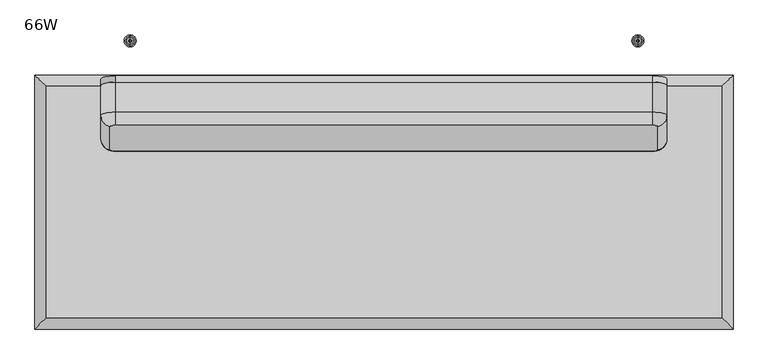
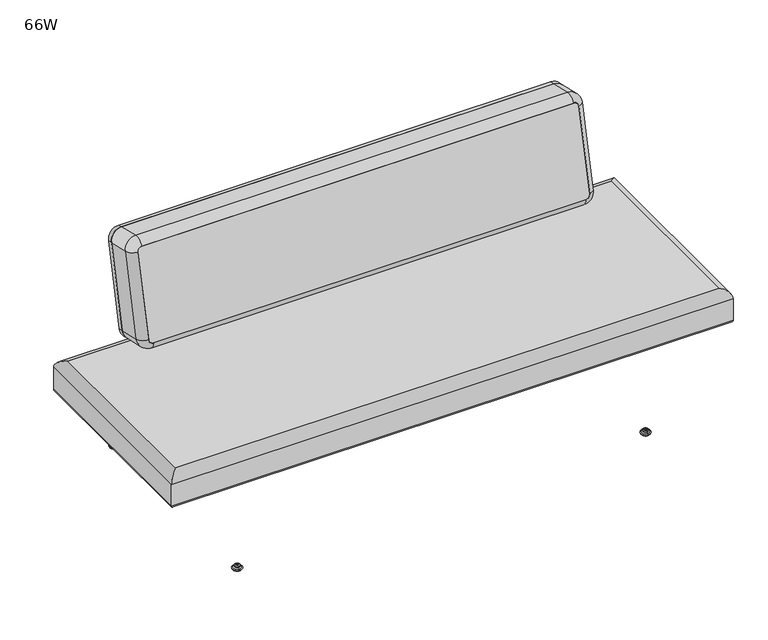
"""IFC4 building model written with IfcOpenShell, lengths in millimetres: furniture geometry, 66W."""

from ifc_helpers import new_model, si_unit, point, frame, frame_2d, origin, place, context, project, spatial, polyline, circle_curve, ellipse_curve, trimmed, segment, composite_curve, outline, extrude, source, transform, mapped, element, save
from ifc_brep_helpers import plane_surface, cylinder_surface, revolved_surface, advanced_brep


def furniture_66w_74420f0e(model_context):
    return source(origin(), model_context, "Body", "SolidModel", [
        extrude(outline(composite_curve([segment(trimmed(circle_curve(frame_2d((0.0, -34.2841348)), 34.2841348), [point((34.2841348, -34.2841348))], [point((0.0, -68.5682696))], False, "CARTESIAN"), True, "CONTINUOUS"), segment(polyline([(0.0, -68.5682696), (-249.5042521, -68.5682696)]), True, "CONTINUOUS"), segment(trimmed(circle_curve(frame_2d((-249.5042521, -34.2841348)), 34.2841348), [point((-249.5042521, -68.5682696))], [point((-283.7883869, -34.2841348))], False, "CARTESIAN"), True, "CONTINUOUS"), segment(polyline([(-283.7883869, -34.2841348), (-283.7883869, 1256.10369)]), True, "CONTINUOUS"), segment(trimmed(circle_curve(frame_2d((-249.5042521, 1256.10369)), 34.2841348), [point((-283.7883869, 1256.10369))], [point((-249.5042521, 1290.3878248))], False, "CARTESIAN"), True, "CONTINUOUS"), segment(polyline([(-249.5042521, 1290.3878248), (0.0, 1290.3878248)]), True, "CONTINUOUS"), segment(trimmed(circle_curve(frame_2d((0.0, 1256.10369)), 34.2841348), [point((0.0, 1290.3878248))], [point((34.2841348, 1256.10369))], False, "CARTESIAN"), True, "CONTINUOUS"), segment(polyline([(34.2841348, 1256.10369), (34.2841348, -34.2841348)]), True, "CONTINUOUS")], self_intersect=False)), frame((1449.0758652, -106.2904287, 729.1964486), z_axis=(0.0, -0.9743700647852357, 0.2249510543438632), x_axis=(0.0, 0.2249510543438632, 0.9743700647852357)), (0.0, 0.0, 1.0), 15.2414002),
        advanced_brep(
        [(27.2635975, -123.7984512, 405.8895176), (27.2635975, -678.8688097, 405.8895176), (1649.1428944, -678.8688097, 405.8895176), (1649.1428944, -123.7984512, 405.8895176), (6.3491764, -699.7832308, 304.2919641), (6.3491764, -102.8840302, 304.2919641), (1670.0573154, -102.8840302, 304.2919641), (1670.0573154, -699.7832308, 304.2919641), (-0.0008236, -96.5340302, 310.6419641), (-0.0008236, -706.1332308, 310.6419641), (-0.0008236, -706.1332308, 379.4503267), (-0.0008236, -96.5340302, 379.4503267), (1676.4073154, -706.1332308, 310.6419641), (1676.4073154, -706.1332308, 379.4503267), (1676.4073154, -96.5340302, 310.6419641), (1676.4073154, -96.5340302, 379.4503267)],
        [
            (0, 1),
            (1, 2),
            (2, 3),
            (3, 0),
            (4, 5),
            (5, 6),
            (6, 7),
            (7, 4),
            (8, 5, ellipse_curve(frame((6.3491764, -102.8840302, 310.6419641), z_axis=(-0.7071067811865481, -0.7071067811865468, 0.0), x_axis=(-0.7071067811865466, 0.7071067811865483, 0.0)), 8.9802561, 6.35)),
            (4, 9, ellipse_curve(frame((6.3491764, -699.7832308, 310.6419641), z_axis=(-0.7071067811865468, 0.7071067811865481, 0.0), x_axis=(0.7071067811865481, 0.7071067811865469, 0.0)), 8.9802561, 6.35)),
            (9, 8),
            (9, 10),
            (10, 11),
            (11, 8),
            (10, 1, ellipse_curve(frame((26.4508562, -679.681551, 379.4503267), z_axis=(-0.7071067811865468, 0.7071067811865481, 0.0), x_axis=(0.7071067811865481, 0.7071067811865469, 0.0)), 37.4083243, 26.4516798)),
            (0, 11, ellipse_curve(frame((26.4508562, -122.98571, 379.4503267), z_axis=(-0.7071067811865481, -0.7071067811865468, 0.0), x_axis=(-0.7071067811865466, 0.7071067811865483, 0.0)), 37.4083243, 26.4516798)),
            (7, 12, ellipse_curve(frame((1670.0573154, -699.7832308, 310.6419641), z_axis=(-0.7071067811865476, -0.7071067811865474, 0.0), x_axis=(-0.7071067811865475, 0.7071067811865475, 0.0)), 8.9802561, 6.35)),
            (12, 9),
            (12, 13),
            (13, 10),
            (13, 2, ellipse_curve(frame((1649.9556356, -679.681551, 379.4503267), z_axis=(-0.7071067811865476, -0.7071067811865474, 0.0), x_axis=(-0.7071067811865475, 0.7071067811865475, 0.0)), 37.4083243, 26.4516798)),
            (6, 14, ellipse_curve(frame((1670.0573154, -102.8840302, 310.6419641), z_axis=(0.7071067811865474, -0.7071067811865476, 0.0), x_axis=(-0.7071067811865475, -0.7071067811865475, 0.0)), 8.9802561, 6.35)),
            (14, 12),
            (14, 15),
            (15, 13),
            (15, 3, ellipse_curve(frame((1649.9556356, -122.98571, 379.4503267), z_axis=(0.7071067811865474, -0.7071067811865476, 0.0), x_axis=(-0.7071067811865475, -0.7071067811865475, 0.0)), 37.4083243, 26.4516798)),
            (8, 14),
            (11, 15),
        ],
        [
            plane_surface(frame((27.2635975, -678.8688097, 405.8895176), z_axis=(0.0, 0.0, 1.0), x_axis=(1.0, 0.0, 0.0))),
            plane_surface(frame((27.2635975, -678.8688097, 304.2919641), z_axis=(0.0, 0.0, -1.0), x_axis=(-1.0, 0.0, 0.0))),
            cylinder_surface(frame((6.3491764, -123.7984512, 310.6419641), z_axis=(0.0, 1.0, 0.0), x_axis=(1.0, 0.0, 0.0)), 6.35),
            plane_surface(frame((-0.0008236, -96.5340302, 310.6419641), z_axis=(-1.0, 0.0, 0.0), x_axis=(0.0, -1.0, 0.0))),
            cylinder_surface(frame((26.4508562, -123.7984512, 379.4503267), z_axis=(0.0, 1.0, 0.0), x_axis=(1.0, 0.0, 0.0)), 26.4516798),
            cylinder_surface(frame((27.2635975, -699.7832308, 310.6419641), z_axis=(-1.0, 0.0, 0.0), x_axis=(0.0, 1.0, 0.0)), 6.35),
            plane_surface(frame((-0.0008236, -706.1332308, 310.6419641), z_axis=(0.0, -1.0, 0.0), x_axis=(1.0, 0.0, 0.0))),
            cylinder_surface(frame((27.2635975, -679.681551, 379.4503267), z_axis=(-1.0, 0.0, 0.0), x_axis=(0.0, 1.0, 0.0)), 26.4516798),
            cylinder_surface(frame((1670.0573154, -678.8688097, 310.6419641), z_axis=(0.0, -1.0, 0.0), x_axis=(-1.0, 0.0, 0.0)), 6.35),
            plane_surface(frame((1676.4073154, -706.1332308, 310.6419641), z_axis=(1.0, 0.0, 0.0), x_axis=(0.0, 1.0, 0.0))),
            cylinder_surface(frame((1649.9556356, -678.8688097, 379.4503267), z_axis=(0.0, -1.0, 0.0), x_axis=(-1.0, 0.0, 0.0)), 26.4516798),
            cylinder_surface(frame((1649.1428944, -102.8840302, 310.6419641), z_axis=(1.0, 0.0, 0.0), x_axis=(0.0, -1.0, 0.0)), 6.35),
            plane_surface(frame((1676.4073154, -96.5340302, 310.6419641), z_axis=(0.0, 1.0, 0.0), x_axis=(-1.0, 0.0, 0.0))),
            cylinder_surface(frame((1649.1428944, -122.98571, 379.4503267), z_axis=(1.0, 0.0, 0.0), x_axis=(0.0, -1.0, 0.0)), 26.4516798),
        ],
        [
            (0, [[1, 2, 3, 4]]),
            (1, [[5, 6, 7, 8]]),
            (2, [[9, -5, 10, 11]]),
            (3, [[-11, 12, 13, 14]]),
            (4, [[-13, 15, -1, 16]]),
            (5, [[-10, -8, 17, 18]]),
            (6, [[-12, -18, 19, 20]]),
            (7, [[-15, -20, 21, -2]]),
            (8, [[-17, -7, 22, 23]]),
            (9, [[-19, -23, 24, 25]]),
            (10, [[-21, -25, 26, -3]]),
            (11, [[-9, 27, -22, -6]]),
            (12, [[-14, 28, -24, -27]]),
            (13, [[-16, -4, -26, -28]]),
        ],
    ),
        advanced_brep(
        [(1447.8, -645.9431587, 14.8752118), (1447.8, -652.5665699, 14.8752118), (1447.8, -649.2548643, 14.8752118), (1447.8, -645.3562211, 13.858606), (1447.8, -653.1535076, 13.858606), (1447.8, -641.3242474, 11.2402116), (1447.8, -657.1854813, 11.2402116), (1447.8, -641.3242474, 8.74896), (1447.8, -657.1854813, 8.74896), (1447.8, -642.9059165, 8.74896), (1447.8, -655.6038121, 8.74896), (1447.8, -638.0462975, 5.9432577), (1447.8, -660.4634312, 5.9432577), (1447.8, -634.8556417, 3.5556814), (1447.8, -663.6540869, 3.5556814), (1447.8, -636.908533, 0.0), (1447.8, -661.6011957, 0.0), (1447.8, -649.2548643, 0.0)],
        [
            (0, 1, circle_curve(frame((1447.8, -649.2548643, 14.8752118), z_axis=(0.0, 0.0, 1.0), x_axis=(0.0, -1.0, 0.0)), 3.3117056)),
            (1, 2),
            (2, 0),
            (1, 0, circle_curve(frame((1447.8, -649.2548643, 14.8752118), z_axis=(0.0, 0.0, 1.0), x_axis=(0.0, -1.0, 0.0)), 3.3117056)),
            (3, 4, circle_curve(frame((1447.8, -649.2548643, 13.858606), z_axis=(0.0, 0.0, 1.0), x_axis=(0.0, -1.0, 0.0)), 3.8986433)),
            (4, 1),
            (0, 3),
            (4, 3, circle_curve(frame((1447.8, -649.2548643, 13.858606), z_axis=(0.0, 0.0, 1.0), x_axis=(0.0, -1.0, 0.0)), 3.8986433)),
            (5, 6, circle_curve(frame((1447.8, -649.2548643, 11.2402116), z_axis=(0.0, 0.0, 1.0), x_axis=(0.0, -1.0, 0.0)), 7.930617)),
            (6, 4),
            (3, 5),
            (6, 5, circle_curve(frame((1447.8, -649.2548643, 11.2402116), z_axis=(0.0, 0.0, 1.0), x_axis=(0.0, -1.0, 0.0)), 7.930617)),
            (7, 8, circle_curve(frame((1447.8, -649.2548643, 8.74896), z_axis=(0.0, 0.0, 1.0), x_axis=(0.0, -1.0, 0.0)), 7.930617)),
            (8, 6),
            (5, 7),
            (8, 7, circle_curve(frame((1447.8, -649.2548643, 8.74896), z_axis=(0.0, 0.0, 1.0), x_axis=(0.0, -1.0, 0.0)), 7.930617)),
            (9, 10, circle_curve(frame((1447.8, -649.2548643, 8.74896), z_axis=(0.0, 0.0, 1.0), x_axis=(0.0, -1.0, 0.0)), 6.3489478)),
            (10, 8),
            (7, 9),
            (10, 9, circle_curve(frame((1447.8, -649.2548643, 8.74896), z_axis=(0.0, 0.0, 1.0), x_axis=(0.0, -1.0, 0.0)), 6.3489478)),
            (11, 12, circle_curve(frame((1447.8, -649.2548643, 5.9432577), z_axis=(0.0, 0.0, 1.0), x_axis=(0.0, -1.0, 0.0)), 11.2085669)),
            (12, 10, circle_curve(frame((1447.8, -660.1160571, 10.9529929), z_axis=(1.0, 0.0, 0.0), x_axis=(0.0, -1.0, 0.0)), 5.0217642)),
            (9, 11, circle_curve(frame((1447.8, -638.3936715, 10.9529929), z_axis=(1.0, 0.0, 0.0), x_axis=(0.0, 1.0, 0.0)), 5.0217642)),
            (12, 11, circle_curve(frame((1447.8, -649.2548643, 5.9432577), z_axis=(0.0, 0.0, 1.0), x_axis=(0.0, -1.0, 0.0)), 11.2085669)),
            (13, 14, circle_curve(frame((1447.8, -649.2548643, 3.5556814), z_axis=(0.0, 0.0, 1.0), x_axis=(0.0, -1.0, 0.0)), 14.3992226)),
            (14, 12, circle_curve(frame((1447.8, -660.6744794, 2.8995769), z_axis=(-1.0, 0.0, 0.0), x_axis=(0.0, -1.0, 0.0)), 3.050989)),
            (11, 13, circle_curve(frame((1447.8, -637.8352492, 2.8995769), z_axis=(-1.0, 0.0, 0.0), x_axis=(0.0, 1.0, 0.0)), 3.050989)),
            (14, 13, circle_curve(frame((1447.8, -649.2548643, 3.5556814), z_axis=(0.0, 0.0, 1.0), x_axis=(0.0, -1.0, 0.0)), 14.3992226)),
            (15, 16, circle_curve(frame((1447.8, -649.2548643, 0.0), z_axis=(0.0, 0.0, 1.0), x_axis=(0.0, -1.0, 0.0)), 12.3463313)),
            (16, 14),
            (13, 15),
            (16, 15, circle_curve(frame((1447.8, -649.2548643, 0.0), z_axis=(0.0, 0.0, 1.0), x_axis=(0.0, -1.0, 0.0)), 12.3463313)),
            (17, 16),
            (15, 17),
        ],
        [
            plane_surface(frame((1447.8, -649.2548643, 14.8752118), z_axis=(0.0, 0.0, 1.0), x_axis=(0.0, -1.0, 0.0))),
            revolved_surface(polyline([(1447.8, -652.5665699, 14.8752118), (1447.8, -653.1535076, 13.858606)]), (1447.8, -649.2548643, 0.0), (0.0, 0.0, -1.0)),
            revolved_surface(polyline([(1447.8, -653.1535076, 13.858606), (1447.8, -657.1854813, 11.2402116)]), (1447.8, -649.2548643, 0.0), (0.0, 0.0, -1.0)),
            cylinder_surface(frame((1447.8, -649.2548643, 0.0), z_axis=(0.0, 0.0, -1.0), x_axis=(0.0, -1.0, 0.0)), 7.930617),
            plane_surface(frame((1447.8, -649.2548643, 8.74896), z_axis=(0.0, 0.0, -1.0), x_axis=(0.0, -1.0, 0.0))),
            revolved_surface(trimmed(ellipse_curve(frame((1447.8, -660.1160571, 10.9529929), z_axis=(-1.0, 0.0, 0.0), x_axis=(0.0, -1.0, 0.0)), 5.0217642, 5.0217642), [point((1447.8, -655.6038121, 8.74896))], [point((1447.8, -660.4634312, 5.9432577))], True, "CARTESIAN"), (1447.8, -649.2548643, 0.0), (0.0, 0.0, -1.0)),
            revolved_surface(trimmed(ellipse_curve(frame((1447.8, -660.6744794, 2.8995769), z_axis=(1.0, 0.0, 0.0), x_axis=(0.0, -1.0, 0.0)), 3.050989, 3.050989), [point((1447.8, -660.4634312, 5.9432577))], [point((1447.8, -663.6540869, 3.5556814))], True, "CARTESIAN"), (1447.8, -649.2548643, 0.0), (0.0, 0.0, -1.0)),
            revolved_surface(polyline([(1447.8, -663.6540869, 3.5556814), (1447.8, -661.6011957, 0.0)]), (1447.8, -649.2548643, 0.0), (0.0, 0.0, -1.0)),
            plane_surface(frame((1447.8, -649.2548643, 0.0), z_axis=(0.0, 0.0, -1.0), x_axis=(0.0, -1.0, 0.0))),
        ],
        [
            (0, [[1, 2, 3]]),
            (0, [[4, -3, -2]]),
            (1, [[5, 6, -1, 7]]),
            (1, [[8, -7, -4, -6]]),
            (2, [[9, 10, -5, 11]]),
            (2, [[12, -11, -8, -10]]),
            (3, [[13, 14, -9, 15]]),
            (3, [[16, -15, -12, -14]]),
            (4, [[17, 18, -13, 19]]),
            (4, [[20, -19, -16, -18]]),
            (5, [[21, 22, -17, 23]]),
            (5, [[24, -23, -20, -22]]),
            (6, [[25, 26, -21, 27]]),
            (6, [[28, -27, -24, -26]]),
            (7, [[29, 30, -25, 31]]),
            (7, [[32, -31, -28, -30]]),
            (8, [[33, -29, 34]]),
            (8, [[-34, -32, -33]]),
        ],
    ),
        advanced_brep(
        [(1447.8, -14.3992226, 14.8752118), (1447.8, -11.087517, 14.8752118), (1447.8, -17.7109282, 14.8752118), (1447.8, -10.5005793, 13.858606), (1447.8, -18.2978659, 13.858606), (1447.8, -6.4686056, 11.2402116), (1447.8, -22.3298395, 11.2402116), (1447.8, -6.4686056, 8.74896), (1447.8, -22.3298395, 8.74896), (1447.8, -8.0502748, 8.74896), (1447.8, -20.7481704, 8.74896), (1447.8, -3.1906557, 5.9432577), (1447.8, -25.6077895, 5.9432577), (1447.8, 0.0, 3.5556814), (1447.8, -28.7984452, 3.5556814), (1447.8, -2.0528912, 0.0), (1447.8, -26.7455539, 0.0), (1447.8, -14.3992226, 0.0)],
        [
            (0, 1),
            (1, 2, circle_curve(frame((1447.8, -14.3992226, 14.8752118), z_axis=(0.0, 0.0, 1.0), x_axis=(0.0, 1.0, 0.0)), 3.3117056)),
            (2, 0),
            (2, 1, circle_curve(frame((1447.8, -14.3992226, 14.8752118), z_axis=(0.0, 0.0, 1.0), x_axis=(0.0, 1.0, 0.0)), 3.3117056)),
            (1, 3),
            (3, 4, circle_curve(frame((1447.8, -14.3992226, 13.858606), z_axis=(0.0, 0.0, 1.0), x_axis=(0.0, 1.0, 0.0)), 3.8986433)),
            (4, 2),
            (4, 3, circle_curve(frame((1447.8, -14.3992226, 13.858606), z_axis=(0.0, 0.0, 1.0), x_axis=(0.0, 1.0, 0.0)), 3.8986433)),
            (3, 5),
            (5, 6, circle_curve(frame((1447.8, -14.3992226, 11.2402116), z_axis=(0.0, 0.0, 1.0), x_axis=(0.0, 1.0, 0.0)), 7.930617)),
            (6, 4),
            (6, 5, circle_curve(frame((1447.8, -14.3992226, 11.2402116), z_axis=(0.0, 0.0, 1.0), x_axis=(0.0, 1.0, 0.0)), 7.930617)),
            (5, 7),
            (7, 8, circle_curve(frame((1447.8, -14.3992226, 8.74896), z_axis=(0.0, 0.0, 1.0), x_axis=(0.0, 1.0, 0.0)), 7.930617)),
            (8, 6),
            (8, 7, circle_curve(frame((1447.8, -14.3992226, 8.74896), z_axis=(0.0, 0.0, 1.0), x_axis=(0.0, 1.0, 0.0)), 7.930617)),
            (7, 9),
            (9, 10, circle_curve(frame((1447.8, -14.3992226, 8.74896), z_axis=(0.0, 0.0, 1.0), x_axis=(0.0, 1.0, 0.0)), 6.3489478)),
            (10, 8),
            (10, 9, circle_curve(frame((1447.8, -14.3992226, 8.74896), z_axis=(0.0, 0.0, 1.0), x_axis=(0.0, 1.0, 0.0)), 6.3489478)),
            (9, 11, circle_curve(frame((1447.8, -3.5380298, 10.9529929), z_axis=(1.0, 0.0, 0.0), x_axis=(0.0, -1.0, 0.0)), 5.0217642)),
            (11, 12, circle_curve(frame((1447.8, -14.3992226, 5.9432577), z_axis=(0.0, 0.0, 1.0), x_axis=(0.0, 1.0, 0.0)), 11.2085669)),
            (12, 10, circle_curve(frame((1447.8, -25.2604154, 10.9529929), z_axis=(1.0, 0.0, 0.0), x_axis=(0.0, 1.0, 0.0)), 5.0217642)),
            (12, 11, circle_curve(frame((1447.8, -14.3992226, 5.9432577), z_axis=(0.0, 0.0, 1.0), x_axis=(0.0, 1.0, 0.0)), 11.2085669)),
            (11, 13, circle_curve(frame((1447.8, -2.9796075, 2.8995769), z_axis=(-1.0, 0.0, 0.0), x_axis=(0.0, -1.0, 0.0)), 3.050989)),
            (13, 14, circle_curve(frame((1447.8, -14.3992226, 3.5556814), z_axis=(0.0, 0.0, 1.0), x_axis=(0.0, 1.0, 0.0)), 14.3992226)),
            (14, 12, circle_curve(frame((1447.8, -25.8188377, 2.8995769), z_axis=(-1.0, 0.0, 0.0), x_axis=(0.0, 1.0, 0.0)), 3.050989)),
            (14, 13, circle_curve(frame((1447.8, -14.3992226, 3.5556814), z_axis=(0.0, 0.0, 1.0), x_axis=(0.0, 1.0, 0.0)), 14.3992226)),
            (13, 15),
            (15, 16, circle_curve(frame((1447.8, -14.3992226, 0.0), z_axis=(0.0, 0.0, 1.0), x_axis=(0.0, 1.0, 0.0)), 12.3463313)),
            (16, 14),
            (16, 15, circle_curve(frame((1447.8, -14.3992226, 0.0), z_axis=(0.0, 0.0, 1.0), x_axis=(0.0, 1.0, 0.0)), 12.3463313)),
            (15, 17),
            (17, 16),
        ],
        [
            plane_surface(frame((1447.8, -14.3992226, 14.8752118), z_axis=(0.0, 0.0, 1.0), x_axis=(0.0, 1.0, 0.0))),
            revolved_surface(polyline([(1447.8, -10.5005793, 13.858606), (1447.8, -11.087517, 14.8752118)]), (1447.8, -14.3992226, 0.0), (0.0, 0.0, 1.0)),
            revolved_surface(polyline([(1447.8, -6.4686056, 11.2402116), (1447.8, -10.5005793, 13.858606)]), (1447.8, -14.3992226, 0.0), (0.0, 0.0, 1.0)),
            cylinder_surface(frame((1447.8, -14.3992226, 0.0), z_axis=(0.0, 0.0, 1.0), x_axis=(0.0, 1.0, 0.0)), 7.930617),
            plane_surface(frame((1447.8, -14.3992226, 8.74896), z_axis=(0.0, 0.0, -1.0), x_axis=(0.0, 1.0, 0.0))),
            revolved_surface(trimmed(ellipse_curve(frame((1447.8, -3.5380298, 10.9529929), z_axis=(-1.0, 0.0, 0.0), x_axis=(0.0, -1.0, 0.0)), 5.0217642, 5.0217642), [point((1447.8, -3.1906557, 5.9432577))], [point((1447.8, -8.0502748, 8.74896))], True, "CARTESIAN"), (1447.8, -14.3992226, 0.0), (0.0, 0.0, 1.0)),
            revolved_surface(trimmed(ellipse_curve(frame((1447.8, -2.9796075, 2.8995769), z_axis=(1.0, 0.0, 0.0), x_axis=(0.0, -1.0, 0.0)), 3.050989, 3.050989), [point((1447.8, 0.0, 3.5556814))], [point((1447.8, -3.1906557, 5.9432577))], True, "CARTESIAN"), (1447.8, -14.3992226, 0.0), (0.0, 0.0, 1.0)),
            revolved_surface(polyline([(1447.8, -2.0528912, 0.0), (1447.8, 0.0, 3.5556814)]), (1447.8, -14.3992226, 0.0), (0.0, 0.0, 1.0)),
            plane_surface(frame((1447.8, -14.3992226, 0.0), z_axis=(0.0, 0.0, -1.0), x_axis=(0.0, 1.0, 0.0))),
        ],
        [
            (0, [[1, 2, 3]]),
            (0, [[-3, 4, -1]]),
            (1, [[-2, 5, 6, 7]]),
            (1, [[-4, -7, 8, -5]]),
            (2, [[-6, 9, 10, 11]]),
            (2, [[-8, -11, 12, -9]]),
            (3, [[-10, 13, 14, 15]]),
            (3, [[-12, -15, 16, -13]]),
            (4, [[-14, 17, 18, 19]]),
            (4, [[-16, -19, 20, -17]]),
            (5, [[-18, 21, 22, 23]]),
            (5, [[-20, -23, 24, -21]]),
            (6, [[-22, 25, 26, 27]]),
            (6, [[-24, -27, 28, -25]]),
            (7, [[-26, 29, 30, 31]]),
            (7, [[-28, -31, 32, -29]]),
            (8, [[-30, 33, 34]]),
            (8, [[-32, -34, -33]]),
        ],
    ),
        advanced_brep(
        [(228.6, -649.2548643, 14.8752118), (228.6, -652.5665699, 14.8752118), (228.6, -645.9431587, 14.8752118), (228.6, -653.1535076, 13.858606), (228.6, -645.3562211, 13.858606), (228.6, -657.1854813, 11.2402116), (228.6, -641.3242474, 11.2402116), (228.6, -657.1854813, 8.74896), (228.6, -641.3242474, 8.74896), (228.6, -655.6038121, 8.74896), (228.6, -642.9059165, 8.74896), (228.6, -660.4634312, 5.9432577), (228.6, -638.0462975, 5.9432577), (228.6, -663.6540869, 3.5556814), (228.6, -634.8556417, 3.5556814), (228.6, -661.6011957, 0.0), (228.6, -636.908533, 0.0), (228.6, -649.2548643, 0.0)],
        [
            (0, 1),
            (1, 2, circle_curve(frame((228.6, -649.2548643, 14.8752118), z_axis=(0.0, 0.0, 1.0), x_axis=(0.0, -1.0, 0.0)), 3.3117056)),
            (2, 0),
            (2, 1, circle_curve(frame((228.6, -649.2548643, 14.8752118), z_axis=(0.0, 0.0, 1.0), x_axis=(0.0, -1.0, 0.0)), 3.3117056)),
            (1, 3),
            (3, 4, circle_curve(frame((228.6, -649.2548643, 13.858606), z_axis=(0.0, 0.0, 1.0), x_axis=(0.0, -1.0, 0.0)), 3.8986433)),
            (4, 2),
            (4, 3, circle_curve(frame((228.6, -649.2548643, 13.858606), z_axis=(0.0, 0.0, 1.0), x_axis=(0.0, -1.0, 0.0)), 3.8986433)),
            (3, 5),
            (5, 6, circle_curve(frame((228.6, -649.2548643, 11.2402116), z_axis=(0.0, 0.0, 1.0), x_axis=(0.0, -1.0, 0.0)), 7.930617)),
            (6, 4),
            (6, 5, circle_curve(frame((228.6, -649.2548643, 11.2402116), z_axis=(0.0, 0.0, 1.0), x_axis=(0.0, -1.0, 0.0)), 7.930617)),
            (5, 7),
            (7, 8, circle_curve(frame((228.6, -649.2548643, 8.74896), z_axis=(0.0, 0.0, 1.0), x_axis=(0.0, -1.0, 0.0)), 7.930617)),
            (8, 6),
            (8, 7, circle_curve(frame((228.6, -649.2548643, 8.74896), z_axis=(0.0, 0.0, 1.0), x_axis=(0.0, -1.0, 0.0)), 7.930617)),
            (7, 9),
            (9, 10, circle_curve(frame((228.6, -649.2548643, 8.74896), z_axis=(0.0, 0.0, 1.0), x_axis=(0.0, -1.0, 0.0)), 6.3489478)),
            (10, 8),
            (10, 9, circle_curve(frame((228.6, -649.2548643, 8.74896), z_axis=(0.0, 0.0, 1.0), x_axis=(0.0, -1.0, 0.0)), 6.3489478)),
            (9, 11, circle_curve(frame((228.6, -660.1160571, 10.9529929), z_axis=(-1.0, 0.0, 0.0), x_axis=(0.0, 1.0, 0.0)), 5.0217642)),
            (11, 12, circle_curve(frame((228.6, -649.2548643, 5.9432577), z_axis=(0.0, 0.0, 1.0), x_axis=(0.0, -1.0, 0.0)), 11.2085669)),
            (12, 10, circle_curve(frame((228.6, -638.3936715, 10.9529929), z_axis=(-1.0, 0.0, 0.0), x_axis=(0.0, -1.0, 0.0)), 5.0217642)),
            (12, 11, circle_curve(frame((228.6, -649.2548643, 5.9432577), z_axis=(0.0, 0.0, 1.0), x_axis=(0.0, -1.0, 0.0)), 11.2085669)),
            (11, 13, circle_curve(frame((228.6, -660.6744794, 2.8995769), z_axis=(1.0, 0.0, 0.0), x_axis=(0.0, 1.0, 0.0)), 3.050989)),
            (13, 14, circle_curve(frame((228.6, -649.2548643, 3.5556814), z_axis=(0.0, 0.0, 1.0), x_axis=(0.0, -1.0, 0.0)), 14.3992226)),
            (14, 12, circle_curve(frame((228.6, -637.8352492, 2.8995769), z_axis=(1.0, 0.0, 0.0), x_axis=(0.0, -1.0, 0.0)), 3.050989)),
            (14, 13, circle_curve(frame((228.6, -649.2548643, 3.5556814), z_axis=(0.0, 0.0, 1.0), x_axis=(0.0, -1.0, 0.0)), 14.3992226)),
            (13, 15),
            (15, 16, circle_curve(frame((228.6, -649.2548643, 0.0), z_axis=(0.0, 0.0, 1.0), x_axis=(0.0, -1.0, 0.0)), 12.3463313)),
            (16, 14),
            (16, 15, circle_curve(frame((228.6, -649.2548643, 0.0), z_axis=(0.0, 0.0, 1.0), x_axis=(0.0, -1.0, 0.0)), 12.3463313)),
            (15, 17),
            (17, 16),
        ],
        [
            plane_surface(frame((228.6, -649.2548643, 14.8752118), z_axis=(0.0, 0.0, 1.0), x_axis=(0.0, -1.0, 0.0))),
            revolved_surface(polyline([(228.6, -653.1535076, 13.858606), (228.6, -652.5665699, 14.8752118)]), (228.6, -649.2548643, 0.0), (0.0, 0.0, 1.0)),
            revolved_surface(polyline([(228.6, -657.1854813, 11.2402116), (228.6, -653.1535076, 13.858606)]), (228.6, -649.2548643, 0.0), (0.0, 0.0, 1.0)),
            cylinder_surface(frame((228.6, -649.2548643, 0.0), z_axis=(0.0, 0.0, 1.0), x_axis=(0.0, -1.0, 0.0)), 7.930617),
            plane_surface(frame((228.6, -649.2548643, 8.74896), z_axis=(0.0, 0.0, -1.0), x_axis=(0.0, -1.0, 0.0))),
            revolved_surface(trimmed(ellipse_curve(frame((228.6, -660.1160571, 10.9529929), z_axis=(1.0, 0.0, 0.0), x_axis=(0.0, 1.0, 0.0)), 5.0217642, 5.0217642), [point((228.6, -660.4634312, 5.9432577))], [point((228.6, -655.6038121, 8.74896))], True, "CARTESIAN"), (228.6, -649.2548643, 0.0), (0.0, 0.0, 1.0)),
            revolved_surface(trimmed(ellipse_curve(frame((228.6, -660.6744794, 2.8995769), z_axis=(-1.0, 0.0, 0.0), x_axis=(0.0, 1.0, 0.0)), 3.050989, 3.050989), [point((228.6, -663.6540869, 3.5556814))], [point((228.6, -660.4634312, 5.9432577))], True, "CARTESIAN"), (228.6, -649.2548643, 0.0), (0.0, 0.0, 1.0)),
            revolved_surface(polyline([(228.6, -661.6011957, 0.0), (228.6, -663.6540869, 3.5556814)]), (228.6, -649.2548643, 0.0), (0.0, 0.0, 1.0)),
            plane_surface(frame((228.6, -649.2548643, 0.0), z_axis=(0.0, 0.0, -1.0), x_axis=(0.0, -1.0, 0.0))),
        ],
        [
            (0, [[1, 2, 3]]),
            (0, [[-3, 4, -1]]),
            (1, [[-2, 5, 6, 7]]),
            (1, [[-4, -7, 8, -5]]),
            (2, [[-6, 9, 10, 11]]),
            (2, [[-8, -11, 12, -9]]),
            (3, [[-10, 13, 14, 15]]),
            (3, [[-12, -15, 16, -13]]),
            (4, [[-14, 17, 18, 19]]),
            (4, [[-16, -19, 20, -17]]),
            (5, [[-18, 21, 22, 23]]),
            (5, [[-20, -23, 24, -21]]),
            (6, [[-22, 25, 26, 27]]),
            (6, [[-24, -27, 28, -25]]),
            (7, [[-26, 29, 30, 31]]),
            (7, [[-28, -31, 32, -29]]),
            (8, [[-30, 33, 34]]),
            (8, [[-32, -34, -33]]),
        ],
    ),
        advanced_brep(
        [(228.6, -17.7109282, 14.8752118), (228.6, -11.087517, 14.8752118), (228.6, -14.3992226, 14.8752118), (228.6, -18.2978659, 13.858606), (228.6, -10.5005793, 13.858606), (228.6, -22.3298395, 11.2402116), (228.6, -6.4686056, 11.2402116), (228.6, -22.3298395, 8.74896), (228.6, -6.4686056, 8.74896), (228.6, -20.7481704, 8.74896), (228.6, -8.0502748, 8.74896), (228.6, -25.6077895, 5.9432577), (228.6, -3.1906557, 5.9432577), (228.6, -28.7984452, 3.5556814), (228.6, 0.0, 3.5556814), (228.6, -26.7455539, 0.0), (228.6, -2.0528912, 0.0), (228.6, -14.3992226, 0.0)],
        [
            (0, 1, circle_curve(frame((228.6, -14.3992226, 14.8752118), z_axis=(0.0, 0.0, 1.0), x_axis=(0.0, 1.0, 0.0)), 3.3117056)),
            (1, 2),
            (2, 0),
            (1, 0, circle_curve(frame((228.6, -14.3992226, 14.8752118), z_axis=(0.0, 0.0, 1.0), x_axis=(0.0, 1.0, 0.0)), 3.3117056)),
            (3, 4, circle_curve(frame((228.6, -14.3992226, 13.858606), z_axis=(0.0, 0.0, 1.0), x_axis=(0.0, 1.0, 0.0)), 3.8986433)),
            (4, 1),
            (0, 3),
            (4, 3, circle_curve(frame((228.6, -14.3992226, 13.858606), z_axis=(0.0, 0.0, 1.0), x_axis=(0.0, 1.0, 0.0)), 3.8986433)),
            (5, 6, circle_curve(frame((228.6, -14.3992226, 11.2402116), z_axis=(0.0, 0.0, 1.0), x_axis=(0.0, 1.0, 0.0)), 7.930617)),
            (6, 4),
            (3, 5),
            (6, 5, circle_curve(frame((228.6, -14.3992226, 11.2402116), z_axis=(0.0, 0.0, 1.0), x_axis=(0.0, 1.0, 0.0)), 7.930617)),
            (7, 8, circle_curve(frame((228.6, -14.3992226, 8.74896), z_axis=(0.0, 0.0, 1.0), x_axis=(0.0, 1.0, 0.0)), 7.930617)),
            (8, 6),
            (5, 7),
            (8, 7, circle_curve(frame((228.6, -14.3992226, 8.74896), z_axis=(0.0, 0.0, 1.0), x_axis=(0.0, 1.0, 0.0)), 7.930617)),
            (9, 10, circle_curve(frame((228.6, -14.3992226, 8.74896), z_axis=(0.0, 0.0, 1.0), x_axis=(0.0, 1.0, 0.0)), 6.3489478)),
            (10, 8),
            (7, 9),
            (10, 9, circle_curve(frame((228.6, -14.3992226, 8.74896), z_axis=(0.0, 0.0, 1.0), x_axis=(0.0, 1.0, 0.0)), 6.3489478)),
            (11, 12, circle_curve(frame((228.6, -14.3992226, 5.9432577), z_axis=(0.0, 0.0, 1.0), x_axis=(0.0, 1.0, 0.0)), 11.2085669)),
            (12, 10, circle_curve(frame((228.6, -3.5380298, 10.9529929), z_axis=(-1.0, 0.0, 0.0), x_axis=(0.0, -1.0, 0.0)), 5.0217642)),
            (9, 11, circle_curve(frame((228.6, -25.2604154, 10.9529929), z_axis=(-1.0, 0.0, 0.0), x_axis=(0.0, 1.0, 0.0)), 5.0217642)),
            (12, 11, circle_curve(frame((228.6, -14.3992226, 5.9432577), z_axis=(0.0, 0.0, 1.0), x_axis=(0.0, 1.0, 0.0)), 11.2085669)),
            (13, 14, circle_curve(frame((228.6, -14.3992226, 3.5556814), z_axis=(0.0, 0.0, 1.0), x_axis=(0.0, 1.0, 0.0)), 14.3992226)),
            (14, 12, circle_curve(frame((228.6, -2.9796075, 2.8995769), z_axis=(1.0, 0.0, 0.0), x_axis=(0.0, -1.0, 0.0)), 3.050989)),
            (11, 13, circle_curve(frame((228.6, -25.8188377, 2.8995769), z_axis=(1.0, 0.0, 0.0), x_axis=(0.0, 1.0, 0.0)), 3.050989)),
            (14, 13, circle_curve(frame((228.6, -14.3992226, 3.5556814), z_axis=(0.0, 0.0, 1.0), x_axis=(0.0, 1.0, 0.0)), 14.3992226)),
            (15, 16, circle_curve(frame((228.6, -14.3992226, 0.0), z_axis=(0.0, 0.0, 1.0), x_axis=(0.0, 1.0, 0.0)), 12.3463313)),
            (16, 14),
            (13, 15),
            (16, 15, circle_curve(frame((228.6, -14.3992226, 0.0), z_axis=(0.0, 0.0, 1.0), x_axis=(0.0, 1.0, 0.0)), 12.3463313)),
            (17, 16),
            (15, 17),
        ],
        [
            plane_surface(frame((228.6, -14.3992226, 14.8752118), z_axis=(0.0, 0.0, 1.0), x_axis=(0.0, 1.0, 0.0))),
            revolved_surface(polyline([(228.6, -11.087517, 14.8752118), (228.6, -10.5005793, 13.858606)]), (228.6, -14.3992226, 0.0), (0.0, 0.0, -1.0)),
            revolved_surface(polyline([(228.6, -10.5005793, 13.858606), (228.6, -6.4686056, 11.2402116)]), (228.6, -14.3992226, 0.0), (0.0, 0.0, -1.0)),
            cylinder_surface(frame((228.6, -14.3992226, 0.0), z_axis=(0.0, 0.0, -1.0), x_axis=(0.0, 1.0, 0.0)), 7.930617),
            plane_surface(frame((228.6, -14.3992226, 8.74896), z_axis=(0.0, 0.0, -1.0), x_axis=(0.0, 1.0, 0.0))),
            revolved_surface(trimmed(ellipse_curve(frame((228.6, -3.5380298, 10.9529929), z_axis=(1.0, 0.0, 0.0), x_axis=(0.0, -1.0, 0.0)), 5.0217642, 5.0217642), [point((228.6, -8.0502748, 8.74896))], [point((228.6, -3.1906557, 5.9432577))], True, "CARTESIAN"), (228.6, -14.3992226, 0.0), (0.0, 0.0, -1.0)),
            revolved_surface(trimmed(ellipse_curve(frame((228.6, -2.9796075, 2.8995769), z_axis=(-1.0, 0.0, 0.0), x_axis=(0.0, -1.0, 0.0)), 3.050989, 3.050989), [point((228.6, -3.1906557, 5.9432577))], [point((228.6, 0.0, 3.5556814))], True, "CARTESIAN"), (228.6, -14.3992226, 0.0), (0.0, 0.0, -1.0)),
            revolved_surface(polyline([(228.6, 0.0, 3.5556814), (228.6, -2.0528912, 0.0)]), (228.6, -14.3992226, 0.0), (0.0, 0.0, -1.0)),
            plane_surface(frame((228.6, -14.3992226, 0.0), z_axis=(0.0, 0.0, -1.0), x_axis=(0.0, 1.0, 0.0))),
        ],
        [
            (0, [[1, 2, 3]]),
            (0, [[4, -3, -2]]),
            (1, [[5, 6, -1, 7]]),
            (1, [[8, -7, -4, -6]]),
            (2, [[9, 10, -5, 11]]),
            (2, [[12, -11, -8, -10]]),
            (3, [[13, 14, -9, 15]]),
            (3, [[16, -15, -12, -14]]),
            (4, [[17, 18, -13, 19]]),
            (4, [[20, -19, -16, -18]]),
            (5, [[21, 22, -17, 23]]),
            (5, [[24, -23, -20, -22]]),
            (6, [[25, 26, -21, 27]]),
            (6, [[28, -27, -24, -26]]),
            (7, [[29, 30, -25, 31]]),
            (7, [[32, -31, -28, -30]]),
            (8, [[33, -29, 34]]),
            (8, [[-34, -32, -33]]),
        ],
    ),
        advanced_brep(
        [(180.2721752, -220.1490121, 755.4827738), (192.9721752, -217.2921337, 767.8572736), (192.9721752, -186.0907368, 782.8057497), (158.6880404, -193.8029891, 749.4003151), (180.2721752, -121.1411928, 732.6250176), (192.9721752, -118.2843144, 744.9995174), (192.9721752, -113.4289405, 766.0304522), (158.6880404, -121.1411928, 732.6250176), (158.6880404, -249.9292337, 506.2908408), (180.2721752, -276.2752567, 512.3732995), (180.2721752, -177.2674373, 489.5155433), (158.6880404, -177.2674373, 489.5155433), (192.9721752, -279.1321351, 499.9987997), (192.9721752, -257.6414859, 472.8854062), (192.9721752, -180.1243157, 477.1410435), (192.9721752, -184.9796896, 456.1101087), (1483.36, -257.6414859, 472.8854062), (1483.36, -279.1321351, 499.9987997), (1483.36, -180.1243157, 477.1410435), (1483.36, -184.9796896, 456.1101087), (1496.06, -276.2752567, 512.3732995), (1517.6441348, -249.9292337, 506.2908408), (1496.06, -177.2674373, 489.5155433), (1517.6441348, -177.2674373, 489.5155433), (1517.6441348, -193.8029891, 749.4003151), (1496.06, -220.1490121, 755.4827738), (1496.06, -121.1411928, 732.6250176), (1517.6441348, -121.1411928, 732.6250176), (1483.36, -217.2921337, 767.8572736), (1483.36, -186.0907368, 782.8057497), (1483.36, -118.2843144, 744.9995174), (1483.36, -113.4289405, 766.0304522)],
        [
            (0, 1, circle_curve(frame((192.9721752, -220.1490121, 755.4827738), z_axis=(0.0, 0.9743700647852357, -0.22495105434386325), x_axis=(0.0, 0.22495105434386325, 0.9743700647852357)), 12.7)),
            (1, 2, circle_curve(frame((192.9721752, -192.3282543, 755.7880932), z_axis=(-1.0000000000000004, 0.0, 0.0), x_axis=(0.0, -0.22495105434386323, -0.9743700647852357)), 27.7283319)),
            (2, 3, circle_curve(frame((192.9721752, -193.8029891, 749.4003151), z_axis=(0.0, -0.9743700647852357, 0.22495105434386325), x_axis=(0.0, 0.22495105434386325, 0.9743700647852357)), 34.2841348)),
            (3, 0, circle_curve(frame((186.4163724, -193.8029891, 749.4003151), z_axis=(0.0, 0.22495105434386325, 0.9743700647852357), x_axis=(1.0000000000000004, 0.0, 0.0)), 27.7283319)),
            (4, 5, circle_curve(frame((192.9721752, -121.1411928, 732.6250176), z_axis=(0.0, 0.9743700647852357, -0.22495105434386325), x_axis=(0.0, 0.22495105434386325, 0.9743700647852357)), 12.7)),
            (5, 1),
            (0, 4),
            (2, 6),
            (6, 7, circle_curve(frame((192.9721752, -121.1411928, 732.6250176), z_axis=(0.0, -0.9743700647852357, 0.22495105434386325), x_axis=(0.0, 0.22495105434386325, 0.9743700647852357)), 34.2841348)),
            (7, 3),
            (3, 8),
            (8, 9, circle_curve(frame((186.4163724, -249.9292337, 506.2908408), z_axis=(0.0, 0.2249510543438632, 0.9743700647852358), x_axis=(1.0, 0.0, 0.0)), 27.7283319)),
            (9, 0),
            (9, 10),
            (10, 4),
            (7, 11),
            (11, 8),
            (12, 9, circle_curve(frame((192.9721752, -276.2752567, 512.3732995), z_axis=(0.0, 0.9743700647852357, -0.22495105434386325), x_axis=(-1.0000000000000002, 0.0, 0.0)), 12.7)),
            (8, 13, circle_curve(frame((192.9721752, -249.9292337, 506.2908408), z_axis=(0.0, -0.9743700647852357, 0.22495105434386325), x_axis=(-1.0000000000000002, 0.0, 0.0)), 34.2841348)),
            (13, 12, circle_curve(frame((192.9721752, -251.4039684, 499.9030628), z_axis=(-1.0000000000000002, 0.0, 0.0), x_axis=(0.0, 0.22495105434386342, 0.9743700647852361)), 27.7283319)),
            (14, 10, circle_curve(frame((192.9721752, -177.2674373, 489.5155433), z_axis=(0.0, 0.9743700647852357, -0.22495105434386325), x_axis=(-1.0000000000000002, 0.0, 0.0)), 12.7)),
            (12, 14),
            (11, 15, circle_curve(frame((192.9721752, -177.2674373, 489.5155433), z_axis=(0.0, -0.9743700647852357, 0.22495105434386325), x_axis=(-1.0000000000000002, 0.0, 0.0)), 34.2841348)),
            (15, 13),
            (13, 16),
            (16, 17, circle_curve(frame((1483.36, -251.4039684, 499.9030628), z_axis=(-1.0, 0.0, 0.0), x_axis=(0.0, 0.2249510543438633, 0.9743700647852357)), 27.7283319)),
            (17, 12),
            (17, 18),
            (18, 14),
            (15, 19),
            (19, 16),
            (20, 17, circle_curve(frame((1483.36, -276.2752567, 512.3732995), z_axis=(0.0, 0.9743700647852357, -0.22495105434386325), x_axis=(0.0, -0.22495105434386325, -0.9743700647852357)), 12.7)),
            (16, 21, circle_curve(frame((1483.36, -249.9292337, 506.2908408), z_axis=(0.0, -0.9743700647852357, 0.22495105434386325), x_axis=(0.0, -0.22495105434386325, -0.9743700647852357)), 34.2841348)),
            (21, 20, circle_curve(frame((1489.9158029, -249.9292337, 506.2908408), z_axis=(0.0, -0.22495105434386323, -0.9743700647852357), x_axis=(-1.0000000000000002, 0.0, 0.0)), 27.7283319)),
            (22, 18, circle_curve(frame((1483.36, -177.2674373, 489.5155433), z_axis=(0.0, 0.9743700647852357, -0.22495105434386325), x_axis=(0.0, -0.22495105434386325, -0.9743700647852357)), 12.7)),
            (20, 22),
            (19, 23, circle_curve(frame((1483.36, -177.2674373, 489.5155433), z_axis=(0.0, -0.9743700647852357, 0.22495105434386325), x_axis=(0.0, -0.22495105434386325, -0.9743700647852357)), 34.2841348)),
            (23, 21),
            (21, 24),
            (24, 25, circle_curve(frame((1489.9158029, -193.8029891, 749.4003151), z_axis=(0.0, -0.22495105434386314, -0.9743700647852357), x_axis=(-1.0, 0.0, 0.0)), 27.7283319)),
            (25, 20),
            (25, 26),
            (26, 22),
            (23, 27),
            (27, 24),
            (28, 25, circle_curve(frame((1483.36, -220.1490121, 755.4827738), z_axis=(0.0, 0.9743700647852357, -0.22495105434386325), x_axis=(1.0, 0.0, 0.0)), 12.7)),
            (24, 29, circle_curve(frame((1483.36, -193.8029891, 749.4003151), z_axis=(0.0, -0.9743700647852357, 0.22495105434386325), x_axis=(1.0, 0.0, 0.0)), 34.2841348)),
            (29, 28, circle_curve(frame((1483.36, -192.3282543, 755.7880932), z_axis=(1.0, 0.0, 0.0), x_axis=(0.0, -0.2249510543438632, -0.9743700647852357)), 27.7283319)),
            (30, 26, circle_curve(frame((1483.36, -121.1411928, 732.6250176), z_axis=(0.0, 0.9743700647852357, -0.22495105434386325), x_axis=(1.0, 0.0, 0.0)), 12.7)),
            (28, 30),
            (27, 31, circle_curve(frame((1483.36, -121.1411928, 732.6250176), z_axis=(0.0, -0.9743700647852357, 0.22495105434386325), x_axis=(1.0, 0.0, 0.0)), 34.2841348)),
            (31, 29),
            (29, 2),
            (1, 28),
            (5, 30),
            (6, 31),
        ],
        [
            revolved_surface(trimmed(ellipse_curve(frame((192.9721752, -192.3282543, 755.7880932), z_axis=(1.0000000000000004, 0.0, 0.0), x_axis=(0.0, -0.22495105434386323, -0.9743700647852357)), 27.7283319, 27.7283319), [point((192.9721752, -186.0907368, 782.8057497))], [point((192.9721752, -217.2921337, 767.8572736))], True, "CARTESIAN"), (192.9721752, -220.1490121, 755.4827738), (0.0, -0.9743700647852359, 0.2249510543438633)),
            revolved_surface(polyline([(192.9721752, -217.29213370983294, 767.8572736227725), (192.9721752, -118.28431438434461, 744.9995174678106)]), (192.9721752, -220.1490121, 755.4827738), (0.0, -0.9743700647852359, 0.2249510543438633)),
            cylinder_surface(frame((192.9721752, -220.1490121, 755.4827738), z_axis=(0.0, -0.9743700647852359, 0.2249510543438633), x_axis=(0.0, 0.22495105434386325, 0.9743700647852357)), 34.2841348),
            cylinder_surface(frame((186.4163724, -193.8029891, 749.4003151), z_axis=(0.0, 0.22495105434386314, 0.9743700647852356), x_axis=(1.0, 0.0, 0.0)), 27.7283319),
            plane_surface(frame((180.2721752, -220.1490121, 755.4827738), z_axis=(1.0, 0.0, 0.0), x_axis=(0.0, -0.224951054343863, -0.9743700647852357))),
            plane_surface(frame((158.6880404, -121.1411928, 732.6250176), z_axis=(-1.0, 0.0, 0.0), x_axis=(0.0, -0.2249510543438632, -0.9743700647852357))),
            revolved_surface(trimmed(ellipse_curve(frame((186.4163724, -249.9292337, 506.2908408), z_axis=(0.0, 0.22495105434386323, 0.9743700647852361), x_axis=(1.0000000000000002, 0.0, 0.0)), 27.7283319, 27.7283319), [point((158.6880404, -249.9292337, 506.2908408))], [point((180.2721752, -276.2752567, 512.3732995))], True, "CARTESIAN"), (192.9721752, -276.2752567, 512.3732995), (0.0, -0.9743700647852359, 0.2249510543438633)),
            revolved_surface(polyline([(180.2721752, -276.27525671432676, 512.3732995033076), (180.2721752, -177.26743729389875, 489.5155433264272)]), (192.9721752, -276.2752567, 512.3732995), (0.0, -0.9743700647852359, 0.2249510543438633)),
            cylinder_surface(frame((192.9721752, -276.2752567, 512.3732995), z_axis=(0.0, -0.9743700647852359, 0.2249510543438633), x_axis=(-1.0000000000000002, 0.0, 0.0)), 34.2841348),
            cylinder_surface(frame((192.9721752, -251.4039684, 499.9030628), z_axis=(-1.0, 0.0, 0.0), x_axis=(0.0, 0.2249510543438633, 0.9743700647852357)), 27.7283319),
            plane_surface(frame((192.9721752, -279.1321351, 499.9987997), z_axis=(0.0, 0.22495105434386325, 0.9743700647852357), x_axis=(1.0, 0.0, 0.0))),
            plane_surface(frame((192.9721752, -184.9796896, 456.1101087), z_axis=(0.0, -0.22495105434386378, -0.9743700647852356), x_axis=(1.0, 0.0, 0.0))),
            revolved_surface(trimmed(ellipse_curve(frame((1483.36, -251.4039684, 499.9030628), z_axis=(-1.0000000000000002, 0.0, 0.0), x_axis=(0.0, 0.2249510543438633, 0.9743700647852357)), 27.7283319, 27.7283319), [point((1483.36, -257.6414859, 472.8854062))], [point((1483.36, -279.1321351, 499.9987997))], True, "CARTESIAN"), (1483.36, -276.2752567, 512.3732995), (0.0, -0.9743700647852357, 0.22495105434386325)),
            revolved_surface(polyline([(1483.36, -279.13213510449384, 499.99879968053517), (1483.36, -180.1243156840659, 477.14104350365477)]), (1483.36, -276.2752567, 512.3732995), (0.0, -0.9743700647852357, 0.22495105434386325)),
            cylinder_surface(frame((1483.36, -276.2752567, 512.3732995), z_axis=(0.0, -0.9743700647852357, 0.22495105434386325), x_axis=(0.0, -0.22495105434386325, -0.9743700647852357)), 34.2841348),
            cylinder_surface(frame((1489.9158029, -249.9292337, 506.2908408), z_axis=(0.0, -0.22495105434386314, -0.9743700647852357), x_axis=(-1.0, 0.0, 0.0)), 27.7283319),
            plane_surface(frame((1496.06, -276.2752567, 512.3732995), z_axis=(-1.0, 0.0, 0.0), x_axis=(0.0, 0.22495105434386312, 0.9743700647852357))),
            plane_surface(frame((1517.6441348, -177.2674373, 489.5155433), z_axis=(1.0, 0.0, 0.0), x_axis=(0.0, 0.22495105434386317, 0.9743700647852357))),
            revolved_surface(trimmed(ellipse_curve(frame((1489.9158029, -193.8029891, 749.4003151), z_axis=(0.0, -0.2249510543438632, -0.9743700647852357), x_axis=(-1.0, 0.0, 0.0)), 27.7283319, 27.7283319), [point((1517.6441348, -193.8029891, 749.4003151))], [point((1496.06, -220.1490121, 755.4827738))], True, "CARTESIAN"), (1483.36, -220.1490121, 755.4827738), (0.0, -0.9743700647852357, 0.22495105434386325)),
            revolved_surface(polyline([(1496.06, -220.1490121, 755.4827738), (1496.06, -121.14119277451171, 732.6250176450382)]), (1483.36, -220.1490121, 755.4827738), (0.0, -0.9743700647852357, 0.22495105434386325)),
            cylinder_surface(frame((1483.36, -220.1490121, 755.4827738), z_axis=(0.0, -0.9743700647852357, 0.22495105434386325), x_axis=(1.0, 0.0, 0.0)), 34.2841348),
            cylinder_surface(frame((1483.36, -192.3282543, 755.7880932), z_axis=(1.0, 0.0, 0.0), x_axis=(0.0, -0.2249510543438632, -0.9743700647852357)), 27.7283319),
            plane_surface(frame((1483.36, -217.2921337, 767.8572736), z_axis=(0.0, -0.22495105434386328, -0.9743700647852357), x_axis=(-1.0, 0.0, 0.0))),
            plane_surface(frame((1483.36, -118.2843144, 744.9995174), z_axis=(0.0, 0.9743700647852357, -0.2249510543438632), x_axis=(-1.0, 0.0, 0.0))),
            plane_surface(frame((1483.36, -113.4289405, 766.0304522), z_axis=(0.0, 0.22495105434386276, 0.9743700647852358), x_axis=(-1.0, 0.0, 0.0))),
        ],
        [
            (0, [[1, 2, 3, 4]]),
            (1, [[5, 6, -1, 7]]),
            (2, [[-3, 8, 9, 10]]),
            (3, [[-4, 11, 12, 13]]),
            (4, [[-7, -13, 14, 15]]),
            (5, [[-10, 16, 17, -11]]),
            (6, [[18, -12, 19, 20]]),
            (7, [[21, -14, -18, 22]]),
            (8, [[-19, -17, 23, 24]]),
            (9, [[-20, 25, 26, 27]]),
            (10, [[-22, -27, 28, 29]]),
            (11, [[-24, 30, 31, -25]]),
            (12, [[32, -26, 33, 34]]),
            (13, [[35, -28, -32, 36]]),
            (14, [[-33, -31, 37, 38]]),
            (15, [[-34, 39, 40, 41]]),
            (16, [[-36, -41, 42, 43]]),
            (17, [[-38, 44, 45, -39]]),
            (18, [[46, -40, 47, 48]]),
            (19, [[49, -42, -46, 50]]),
            (20, [[-47, -45, 51, 52]]),
            (21, [[-48, 53, -2, 54]]),
            (22, [[-50, -54, -6, 55]]),
            (23, [[56, -51, -44, -37, -30, -23, -16, -9], [-43, -49, -55, -5, -15, -21, -29, -35]]),
            (24, [[-52, -56, -8, -53]]),
        ],
    ),
        extrude(outline(composite_curve([segment(trimmed(circle_curve(frame_2d((1290.3878248, -12.7)), 12.7), [point((1290.3878248, 0.0))], [point((1303.0878248, -12.7))], False, "CARTESIAN"), True, "CONTINUOUS"), segment(polyline([(1303.0878248, -12.7), (1303.0878248, -262.2042521)]), True, "CONTINUOUS"), segment(trimmed(circle_curve(frame_2d((1290.3878248, -262.2042521)), 12.7), [point((1303.0878248, -262.2042521))], [point((1290.3878248, -274.9042521))], False, "CARTESIAN"), True, "CONTINUOUS"), segment(polyline([(1290.3878248, -274.9042521), (0.0, -274.9042521)]), True, "CONTINUOUS"), segment(trimmed(circle_curve(frame_2d((0.0, -262.2042521)), 12.7), [point((0.0, -274.9042521))], [point((-12.7, -262.2042521))], False, "CARTESIAN"), True, "CONTINUOUS"), segment(polyline([(-12.7, -262.2042521), (-12.7, -12.7)]), True, "CONTINUOUS"), segment(trimmed(circle_curve(frame_2d((0.0, -12.7)), 12.7), [point((-12.7, -12.7))], [point((0.0, 0.0))], False, "CARTESIAN"), True, "CONTINUOUS"), segment(polyline([(0.0, 0.0), (1290.3878248, 0.0)]), True, "CONTINUOUS")], self_intersect=False)), frame((192.9721752, -118.2843144, 744.9995174), z_axis=(0.0, -0.9743700647852357, 0.22495105434386325), x_axis=(1.0, 0.0, 0.0)), (0.0, 0.0, 1.0), 101.6121317),
    ])


if __name__ == "__main__":
    model = new_model("IFC4")
    model_context = context("Model", 3, world=origin())
    ifc_project = project(units=[si_unit("LENGTHUNIT", "METRE", prefix="MILLI")], contexts=[model_context])
    site = spatial("IfcSite", under=ifc_project)
    building = spatial("IfcBuilding", under=site)
    placement = place(None, origin())
    furniture_66w_shape = furniture_66w_74420f0e(model_context)
    element("IfcFurniture", 1, ObjectType="66W", at=placement, inside=building, context=model_context, shape_type="MappedRepresentation", body=[
        mapped(furniture_66w_shape, transform((0.0, 0.0, 0.0), x_axis=(1.0, 0.0, 0.0), y_axis=(0.0, 1.0, 0.0), z_axis=(0.0, 0.0, 1.0))),
    ])
    save(model, "model.ifc")
